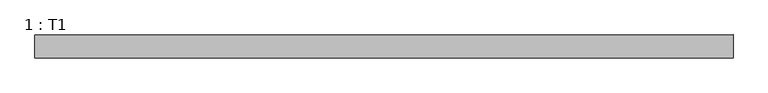
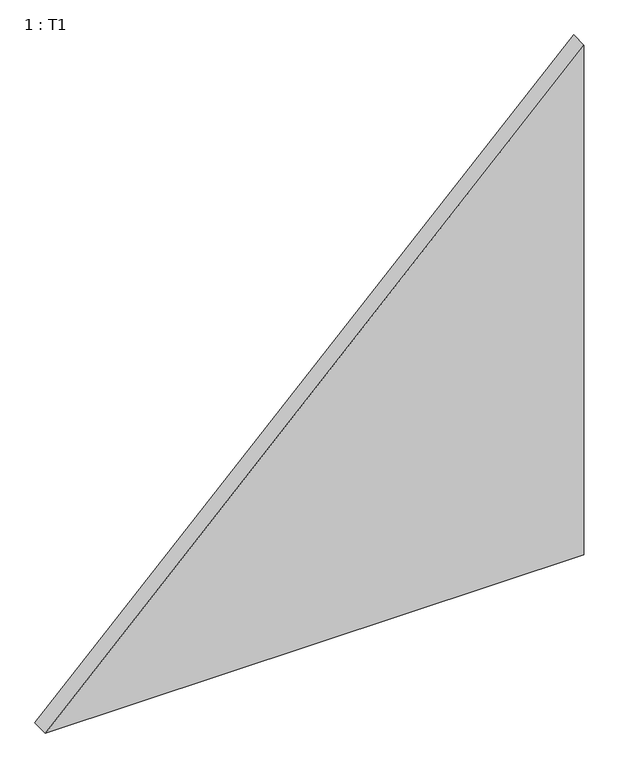
"""IFC4 building model written with IfcOpenShell, lengths in millimetres: proxy geometry, 1 : T1."""

from ifc_helpers import new_model, si_unit, frame, origin, place, context, project, spatial, polyline, outline, extrude, source, transform, mapped, element, save


def proxy_1_t1_cc926ef5(model_context):
    return source(origin(), model_context, "Body", "SweptSolid", [
        extrude(outline(polyline([(1500.0, 0.0), (0.0, -1500.0), (0.0, 0.0), (1500.0, 0.0)])), frame((0.0, -50.0, 0.0), z_axis=(0.0, 1.0, 0.0), x_axis=(0.0, 0.0, 1.0)), (0.0, 0.0, 1.0), 50.0),
    ])


if __name__ == "__main__":
    model = new_model("IFC4")
    model_context = context("Model", 3, world=origin())
    ifc_project = project(units=[si_unit("LENGTHUNIT", "METRE", prefix="MILLI")], contexts=[model_context])
    site = spatial("IfcSite", under=ifc_project)
    building = spatial("IfcBuilding", under=site)
    placement = place(None, origin())
    proxy_1_t1_shape = proxy_1_t1_cc926ef5(model_context)
    element("IfcBuildingElementProxy", 1, Name="1 : T1", ObjectType="1 : T1", at=placement, inside=building, context=model_context, shape_type="MappedRepresentation", body=[
        mapped(proxy_1_t1_shape, transform((0.0, 0.0, 0.0), x_axis=(1.0, 0.0, 0.0), y_axis=(0.0, 1.0, 0.0), z_axis=(0.0, 0.0, 1.0))),
    ])
    save(model, "model.ifc")
